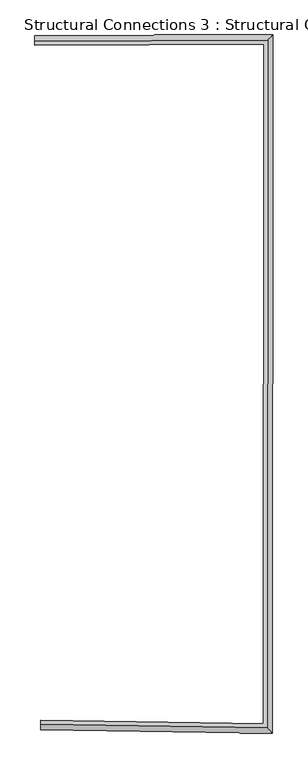
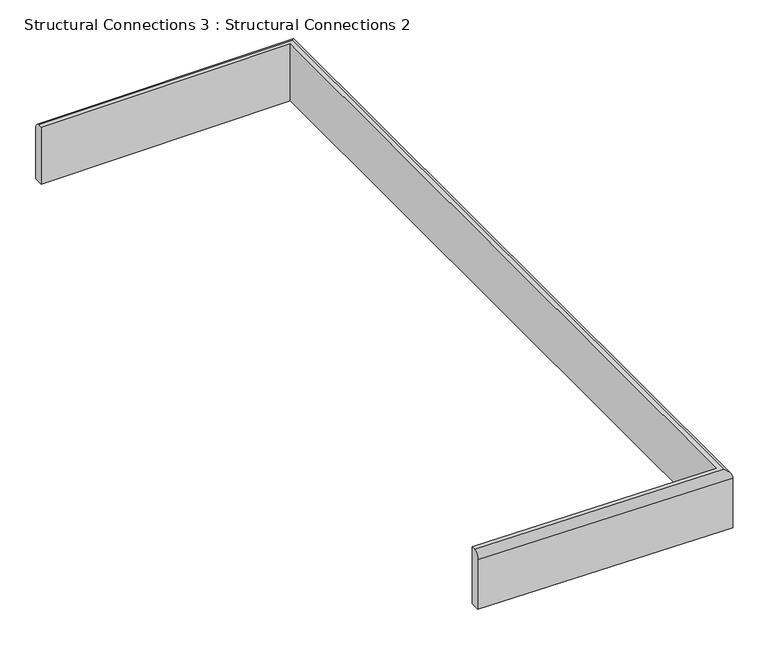
"""IFC4 building model written with IfcOpenShell, lengths in millimetres: fastener geometry, Structural Connections 3 : Structural Connections 2."""

from ifc_helpers import new_model, si_unit, frame, origin, place, context, project, spatial, circle_curve, ellipse_curve, source, transform, mapped, element, save
from ifc_brep_helpers import plane_surface, cylinder_surface, advanced_brep


def structural_connections_3_structural_connections_2_7f342c81(model_context):
    return source(origin(), model_context, "Body", "AdvancedBrep", [
        advanced_brep(
        [(-48805.7919714, 47807.9422587, 108415.6908361), (-48805.7919714, 47807.9422587, 108294.9278548), (-48806.0933017, 47788.1240116, 108294.9278548), (-48806.0933017, 47788.1240116, 108400.5144843), (-48805.92045, 47799.4923221, 108415.6908361), (-48818.7326631, 49279.094447, 108415.6908361), (-48818.7688539, 49287.5452827, 108415.6908361), (-48818.8175441, 49298.914803, 108400.5144843), (-48818.8175441, 49298.914803, 108294.9278548), (-48818.7326631, 49279.094447, 108294.9278548), (-48320.2193573, 47800.5592774, 108415.6908361), (-48320.2193573, 47800.5592774, 108294.9278548), (-48319.2816389, 49281.2333541, 108294.9278548), (-48299.4484908, 49301.1390093, 108294.9278548), (-48300.4115602, 47780.4352773, 108294.9278548), (-48300.4115602, 47780.4352773, 108400.5144843), (-48311.7738764, 47791.9789765, 108415.6908361), (-48310.825349, 49289.720559, 108415.6908361), (-48319.2816389, 49281.2333541, 108415.6908361), (-48299.4484908, 49301.1390093, 108400.5144843)],
        [
            (0, 1),
            (1, 2),
            (2, 3),
            (3, 4, circle_curve(frame((-48805.8739406, 47802.5512075, 108401.5519041), z_axis=(-0.9998844287332682, 0.015202933162578786, 0.0), x_axis=(-0.015202933162578786, -0.9998844287332682, 0.0)), 14.4661101)),
            (4, 0),
            (5, 6),
            (6, 7, circle_curve(frame((-48818.7557528, 49284.4860719, 108401.5519041), z_axis=(-0.9999908301542926, -0.0042824767750561585, 0.0), x_axis=(-0.0042824767750561585, 0.9999908301542926, 0.0)), 14.4661101)),
            (7, 8),
            (8, 9),
            (9, 5),
            (0, 10),
            (10, 11),
            (11, 1),
            (11, 12),
            (12, 9),
            (8, 13),
            (13, 14),
            (14, 2),
            (14, 15),
            (15, 3),
            (15, 16, ellipse_curve(frame((-48314.8311488, 47795.0850539, 108401.5519041), z_axis=(-0.7126837173269741, -0.7014855088004356, 0.0), x_axis=(-0.701485508800435, 0.7126837173269742, 0.0)), 20.6088524, 14.4661101)),
            (16, 4),
            (16, 17),
            (17, 6),
            (5, 18),
            (18, 10),
            (18, 12),
            (13, 19),
            (19, 15),
            (19, 17, ellipse_curve(frame((-48313.8865343, 49286.6481824, 108401.5519041), z_axis=(0.7083957851228156, -0.7058154231952073, 0.0), x_axis=(-0.7058154231952073, -0.7083957851228156, 0.0)), 20.5086391, 14.4661101)),
            (7, 19),
        ],
        [
            plane_surface(frame((-48805.8682186, 47802.9275433, 108155.0), z_axis=(-0.9998844287332682, 0.015202933162578782, 0.0), x_axis=(0.0, 0.0, 1.0))),
            plane_surface(frame((-48818.7541409, 49284.109696, 108155.0), z_axis=(-0.9999908301542926, -0.004282476775056, 0.0), x_axis=(0.0, 0.0, 1.0))),
            plane_surface(frame((-48805.7919714, 47807.9422587, 108415.6908361), z_axis=(0.015202933162581275, 0.9998844287332682, 0.0), x_axis=(0.9998844287332682, -0.015202933162581275, 0.0))),
            plane_surface(frame((-48805.7919714, 47807.9422587, 108294.9278548), z_axis=(0.0, 0.0, -1.0), x_axis=(0.9998844287332682, -0.015202933162581275, 0.0))),
            plane_surface(frame((-48806.0933017, 47788.1240116, 108294.9278548), z_axis=(-0.01520293316257427, -0.9998844287332683, 0.0), x_axis=(0.9998844287332683, -0.01520293316257427, 0.0))),
            cylinder_surface(frame((-48805.8739406, 47802.5512075, 108401.5519041), z_axis=(-0.9998844287332682, 0.015202933162578786, 0.0), x_axis=(-0.015202933162578786, -0.9998844287332682, 0.0)), 14.4661101),
            plane_surface(frame((-48805.92045, 47799.4923221, 108415.6908361), z_axis=(0.0, 0.0, 1.0000000000000002), x_axis=(0.9998844287332683, -0.015202933162577885, 0.0))),
            plane_surface(frame((-48320.2193573, 47800.5592774, 108415.6908361), z_axis=(-0.9999997994623913, 0.0006333049640286362, 0.0), x_axis=(0.0006333049640286362, 0.9999997994623913, 0.0))),
            plane_surface(frame((-48300.4115602, 47780.4352773, 108294.9278548), z_axis=(0.9999997994623913, -0.0006333049640274921, 0.0), x_axis=(0.0006333049640274921, 0.9999997994623913, 0.0))),
            cylinder_surface(frame((-48314.830907, 47795.4669575, 108401.5519041), z_axis=(-0.0006333049640264208, -0.9999997994623911, 0.0), x_axis=(0.9999997994623911, -0.0006333049640264208, 0.0)), 14.4661101),
            plane_surface(frame((-48319.2816389, 49281.2333541, 108415.6908361), z_axis=(0.004282476775047207, -0.9999908301542926, 0.0), x_axis=(-0.9999908301542926, -0.004282476775047207, 0.0))),
            plane_surface(frame((-48299.4484908, 49301.1390093, 108294.9278548), z_axis=(-0.004282476775056807, 0.9999908301542926, 0.0), x_axis=(-0.9999908301542926, -0.004282476775056807, 0.0))),
            cylinder_surface(frame((-48314.264765, 49286.6465626, 108401.5519041), z_axis=(0.9999908301542926, 0.0042824767750561585, 0.0), x_axis=(-0.0042824767750561585, 0.9999908301542926, 0.0)), 14.4661101),
        ],
        [
            (0, [[1, 2, 3, 4, 5]]),
            (1, [[6, 7, 8, 9, 10]]),
            (2, [[-1, 11, 12, 13]]),
            (3, [[-2, -13, 14, 15, -9, 16, 17, 18]]),
            (4, [[-3, -18, 19, 20]]),
            (5, [[-4, -20, 21, 22]]),
            (6, [[-5, -22, 23, 24, -6, 25, 26, -11]]),
            (7, [[-12, -26, 27, -14]]),
            (8, [[-19, -17, 28, 29]]),
            (9, [[-21, -29, 30, -23]]),
            (10, [[-27, -25, -10, -15]]),
            (11, [[-28, -16, -8, 31]]),
            (12, [[-30, -31, -7, -24]]),
        ],
    ),
    ])


if __name__ == "__main__":
    model = new_model("IFC4")
    model_context = context("Model", 3, world=origin())
    ifc_project = project(units=[si_unit("LENGTHUNIT", "METRE", prefix="MILLI")], contexts=[model_context])
    site = spatial("IfcSite", under=ifc_project)
    building = spatial("IfcBuilding", under=site)
    placement = place(None, origin())
    structural_connections_3_structural_connections_2_shape = structural_connections_3_structural_connections_2_7f342c81(model_context)
    element("IfcFastener", 1, ObjectType="Structural Connections 3 : Structural Connections 2", at=placement, inside=building, context=model_context, shape_type="MappedRepresentation", body=[
        mapped(structural_connections_3_structural_connections_2_shape, transform((0.0, 0.0, 0.0), x_axis=(1.0, 0.0, 0.0), y_axis=(0.0, 1.0, 0.0), z_axis=(0.0, 0.0, 1.0))),
    ])
    save(model, "model.ifc")
